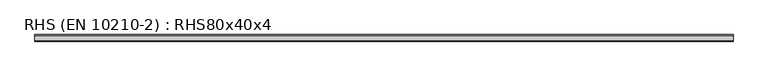
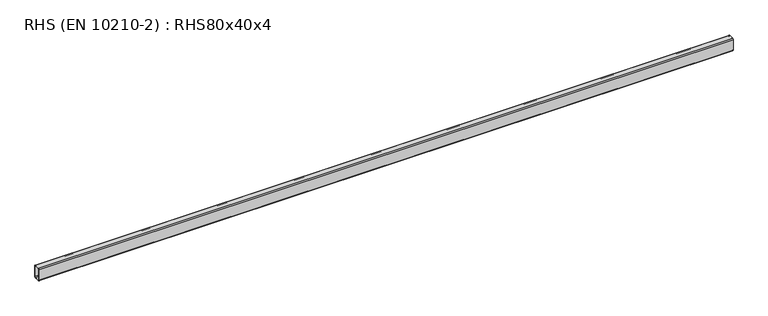
"""IFC4 building model written with IfcOpenShell, lengths in millimetres: beam geometry, RHS (EN 10210-2) : RHS80x40x4."""

from ifc_helpers import new_model, si_unit, point, frame, frame_2d, origin, place, context, project, spatial, polyline, circle_curve, trimmed, segment, composite_curve, outline, extrude, source, transform, mapped, element, save


def rhs_en_10210_2_rhs80x40x4_86aec2e0(model_context):
    return source(origin(), model_context, "Body", "SweptSolid", [
        extrude(outline(composite_curve([segment(polyline([(20.0, 34.0), (20.0, -34.0)]), True, "CONTINUOUS"), segment(trimmed(circle_curve(frame_2d((14.0, -34.0)), 6.0), [point((20.0, -34.0))], [point((14.0, -40.0))], False, "CARTESIAN"), True, "CONTINUOUS"), segment(polyline([(14.0, -40.0), (-14.0, -40.0)]), True, "CONTINUOUS"), segment(trimmed(circle_curve(frame_2d((-14.0, -34.0)), 6.0), [point((-14.0, -40.0))], [point((-20.0, -34.0))], False, "CARTESIAN"), True, "CONTINUOUS"), segment(polyline([(-20.0, -34.0), (-20.0, 34.0)]), True, "CONTINUOUS"), segment(trimmed(circle_curve(frame_2d((-14.0, 34.0)), 6.0), [point((-20.0, 34.0))], [point((-14.0, 40.0))], False, "CARTESIAN"), True, "CONTINUOUS"), segment(polyline([(-14.0, 40.0), (14.0, 40.0)]), True, "CONTINUOUS"), segment(trimmed(circle_curve(frame_2d((14.0, 34.0)), 6.0), [point((14.0, 40.0))], [point((20.0, 34.0))], False, "CARTESIAN"), True, "CONTINUOUS")], self_intersect=False), holes=[composite_curve([segment(trimmed(circle_curve(frame_2d((-12.0, 32.0)), 4.0), [point((-12.0, 36.0))], [point((-16.0, 32.0))], True, "CARTESIAN"), True, "CONTINUOUS"), segment(polyline([(-16.0, 32.0), (-16.0, -32.0)]), True, "CONTINUOUS"), segment(trimmed(circle_curve(frame_2d((-12.0, -32.0)), 4.0), [point((-16.0, -32.0))], [point((-12.0, -36.0))], True, "CARTESIAN"), True, "CONTINUOUS"), segment(polyline([(-12.0, -36.0), (12.0, -36.0)]), True, "CONTINUOUS"), segment(trimmed(circle_curve(frame_2d((12.0, -32.0)), 4.0), [point((12.0, -36.0))], [point((16.0, -32.0))], True, "CARTESIAN"), True, "CONTINUOUS"), segment(polyline([(16.0, -32.0), (16.0, 32.0)]), True, "CONTINUOUS"), segment(trimmed(circle_curve(frame_2d((12.0, 32.0)), 4.0), [point((16.0, 32.0))], [point((12.0, 36.0))], True, "CARTESIAN"), True, "CONTINUOUS"), segment(polyline([(12.0, 36.0), (-12.0, 36.0)]), True, "CONTINUOUS")], self_intersect=False)]), frame((-2113.25, 0.0, 0.0), z_axis=(1.0, 0.0, 0.0), x_axis=(0.0, 1.0, 0.0)), (0.0, 0.0, 1.0), 4229.7),
    ])


if __name__ == "__main__":
    model = new_model("IFC4")
    model_context = context("Model", 3, world=origin())
    ifc_project = project(units=[si_unit("LENGTHUNIT", "METRE", prefix="MILLI")], contexts=[model_context])
    site = spatial("IfcSite", under=ifc_project)
    building = spatial("IfcBuilding", under=site)
    placement = place(None, origin())
    rhs_en_10210_2_rhs80x40x4_shape = rhs_en_10210_2_rhs80x40x4_86aec2e0(model_context)
    element("IfcBeam", 1, ObjectType="RHS (EN 10210-2) : RHS80x40x4", at=placement, inside=building, context=model_context, shape_type="MappedRepresentation", body=[
        mapped(rhs_en_10210_2_rhs80x40x4_shape, transform((0.0, 0.0, 0.0), x_axis=(1.0, 0.0, 0.0), y_axis=(0.0, 1.0, 0.0), z_axis=(0.0, 0.0, 1.0))),
    ])
    save(model, "model.ifc")
